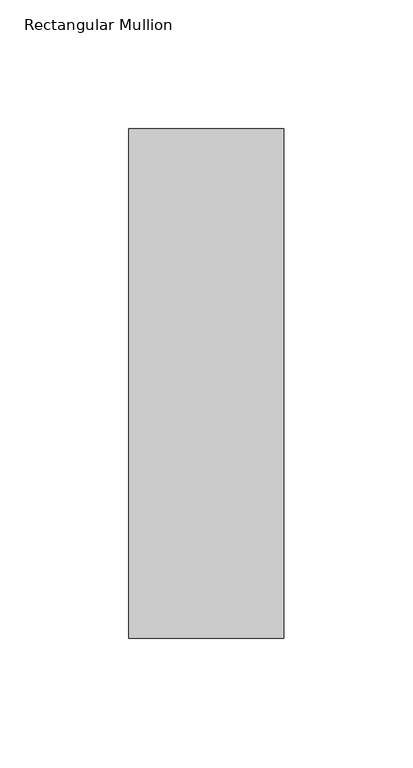
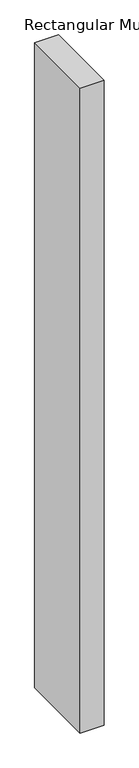
"""IFC4 building model written with IfcOpenShell, lengths in millimetres: member geometry, Rectangular Mullion."""

from ifc_helpers import new_model, si_unit, frame, origin, place, context, project, spatial, polyline, outline, extrude, source, transform, mapped, element, save


def rectangular_mullion_19e53671(model_context):
    return source(origin(), model_context, "Body", "SweptSolid", [
        extrude(outline(polyline([(30.0, 144.19375), (30.0, -53.19375), (-30.0, -53.19375), (-30.0, 144.19375), (30.0, 144.19375)])), frame((0.0, 0.0, -1708.8912252), z_axis=(0.0, 0.0, 1.0), x_axis=(1.0, 0.0, 0.0)), (0.0, 0.0, 1.0), 1708.8912252),
    ])


if __name__ == "__main__":
    model = new_model("IFC4")
    model_context = context("Model", 3, world=origin())
    ifc_project = project(units=[si_unit("LENGTHUNIT", "METRE", prefix="MILLI")], contexts=[model_context])
    site = spatial("IfcSite", under=ifc_project)
    building = spatial("IfcBuilding", under=site)
    placement = place(None, origin())
    rectangular_mullion_shape = rectangular_mullion_19e53671(model_context)
    element("IfcMember", 1, ObjectType="Rectangular Mullion", at=placement, inside=building, context=model_context, shape_type="MappedRepresentation", body=[
        mapped(rectangular_mullion_shape, transform((0.0, 0.0, 0.0), x_axis=(1.0, 0.0, 0.0), y_axis=(0.0, 1.0, 0.0), z_axis=(0.0, 0.0, 1.0))),
    ])
    save(model, "model.ifc")
